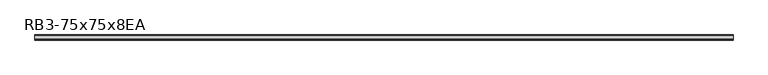
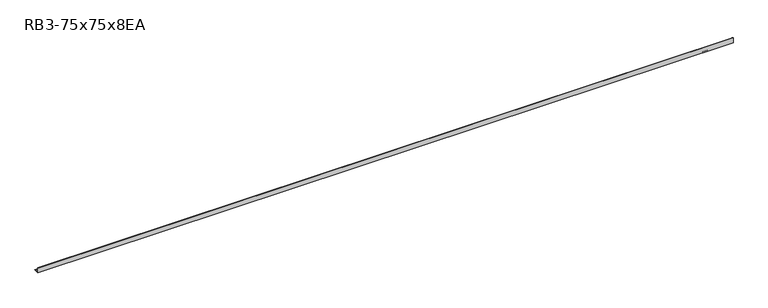
"""IFC4 building model written with IfcOpenShell, lengths in millimetres: member geometry, RB3-75x75x8EA."""

from ifc_helpers import new_model, si_unit, point, frame, frame_2d, origin, place, context, project, spatial, polyline, circle_curve, trimmed, segment, composite_curve, outline, extrude, source, transform, mapped, element, save


def rb3_75x75x8ea_9e23ad43(model_context):
    return source(origin(), model_context, "Body", "SweptSolid", [
        extrude(outline(composite_curve([segment(polyline([(-21.3, -21.3), (-21.3, 53.7), (-18.3, 53.7)]), True, "CONTINUOUS"), segment(trimmed(circle_curve(frame_2d((-18.3, 48.7)), 5.0), [point((-18.3, 53.7))], [point((-13.3, 48.7))], False, "CARTESIAN"), True, "CONTINUOUS"), segment(polyline([(-13.3, 48.7), (-13.3, -5.3)]), True, "CONTINUOUS"), segment(trimmed(circle_curve(frame_2d((-5.3, -5.3)), 8.0), [point((-13.3, -5.3))], [point((-5.3, -13.3))], True, "CARTESIAN"), True, "CONTINUOUS"), segment(polyline([(-5.3, -13.3), (48.7, -13.3)]), True, "CONTINUOUS"), segment(trimmed(circle_curve(frame_2d((48.7, -18.3)), 5.0), [point((48.7, -13.3))], [point((53.7, -18.3))], False, "CARTESIAN"), True, "CONTINUOUS"), segment(polyline([(53.7, -18.3), (53.7, -21.3), (-21.3, -21.3)]), True, "CONTINUOUS")], self_intersect=False)), frame((-5070.0, 0.0, 0.0), z_axis=(1.0, 0.0, 0.0), x_axis=(0.0, 1.0, 0.0)), (0.0, 0.0, 1.0), 10168.0),
    ])


if __name__ == "__main__":
    model = new_model("IFC4")
    model_context = context("Model", 3, world=origin())
    ifc_project = project(units=[si_unit("LENGTHUNIT", "METRE", prefix="MILLI")], contexts=[model_context])
    site = spatial("IfcSite", under=ifc_project)
    building = spatial("IfcBuilding", under=site)
    placement = place(None, origin())
    rb3_75x75x8ea_shape = rb3_75x75x8ea_9e23ad43(model_context)
    element("IfcMember", 1, ObjectType="RB3-75x75x8EA", at=placement, inside=building, context=model_context, shape_type="MappedRepresentation", body=[
        mapped(rb3_75x75x8ea_shape, transform((0.0, 0.0, 0.0), x_axis=(1.0, 0.0, 0.0), y_axis=(0.0, 1.0, 0.0), z_axis=(0.0, 0.0, 1.0))),
    ])
    save(model, "model.ifc")
